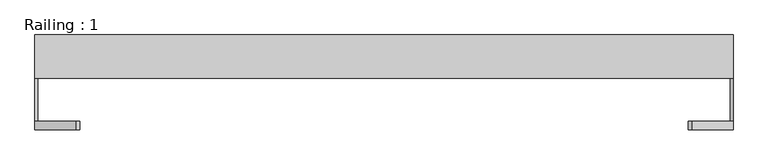
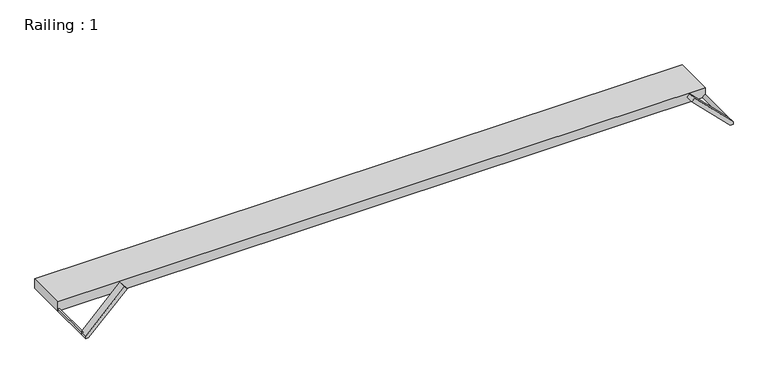
"""IFC4 building model written with IfcOpenShell, lengths in millimetres: proxy geometry, Railing : 1."""

from ifc_helpers import new_model, si_unit, point, frame, frame_2d, origin, origin_with_axes, place, context, project, spatial, polyline, circle_curve, trimmed, segment, composite_curve, outline, extrude, source, transform, mapped, element, save


def railing_1_e0f61709(model_context):
    return source(origin(), model_context, "Body", "SweptSolid", [
        extrude(outline(polyline([(810.0, 148.3559767), (-810.0, 148.3559767), (-810.0, 248.3559767), (810.0, 248.3559767), (810.0, 148.3559767)])), origin_with_axes(), (0.0, 0.0, 1.0), 25.0),
        extrude(outline(composite_curve([segment(polyline([(0.0, 810.0), (7.0710678, 810.0)]), True, "CONTINUOUS"), segment(trimmed(circle_curve(frame_2d((0.0, 810.0)), 7.0710678), [point((7.0710678, 810.0))], [point((0.0, 802.9289322))], False, "CARTESIAN"), True, "CONTINUOUS"), segment(polyline([(0.0, 802.9289322), (0.0, 810.0)]), True, "CONTINUOUS")], self_intersect=False)), frame((0.0, 48.3559767, 0.0), z_axis=(0.0, 1.0, 0.0), x_axis=(0.0, 0.0, 1.0)), (0.0, 0.0, 1.0), 100.0),
        extrude(outline(composite_curve([segment(polyline([(0.0, -810.0), (0.0, -802.9289322)]), True, "CONTINUOUS"), segment(trimmed(circle_curve(frame_2d((0.0, -810.0)), 7.0710678), [point((0.0, -802.9289322))], [point((7.0710678, -810.0))], False, "CARTESIAN"), True, "CONTINUOUS"), segment(polyline([(7.0710678, -810.0), (0.0, -810.0)]), True, "CONTINUOUS")], self_intersect=False)), frame((0.0, 48.3559767, 0.0), z_axis=(0.0, 1.0, 0.0), x_axis=(0.0, 0.0, 1.0)), (0.0, 0.0, 1.0), 100.0),
        extrude(outline(polyline([(103.5355339, 713.5355339), (96.4644661, 706.4644661), (0.0, 802.9289322), (0.0, 810.0), (7.0710678, 810.0), (103.5355339, 713.5355339)])), frame((0.0, 28.3559767, 0.0), z_axis=(0.0, 1.0, 0.0), x_axis=(0.0, 0.0, 1.0)), (0.0, 0.0, 1.0), 20.0),
        extrude(outline(polyline([(0.0, -810.0), (0.0, -802.9289322), (96.4644661, -706.4644661), (103.5355339, -713.5355339), (7.0710678, -810.0), (0.0, -810.0)])), frame((0.0, 28.3559767, 0.0), z_axis=(0.0, 1.0, 0.0), x_axis=(0.0, 0.0, 1.0)), (0.0, 0.0, 1.0), 20.0),
    ])


if __name__ == "__main__":
    model = new_model("IFC4")
    model_context = context("Model", 3, world=origin())
    ifc_project = project(units=[si_unit("LENGTHUNIT", "METRE", prefix="MILLI")], contexts=[model_context])
    site = spatial("IfcSite", under=ifc_project)
    building = spatial("IfcBuilding", under=site)
    placement = place(None, origin())
    railing_1_shape = railing_1_e0f61709(model_context)
    element("IfcBuildingElementProxy", 1, Name="Railing : 1", ObjectType="Railing : 1", at=placement, inside=building, context=model_context, shape_type="MappedRepresentation", body=[
        mapped(railing_1_shape, transform((0.0, 0.0, 0.0), x_axis=(1.0, 0.0, 0.0), y_axis=(0.0, 1.0, 0.0), z_axis=(0.0, 0.0, 1.0))),
    ])
    save(model, "model.ifc")
